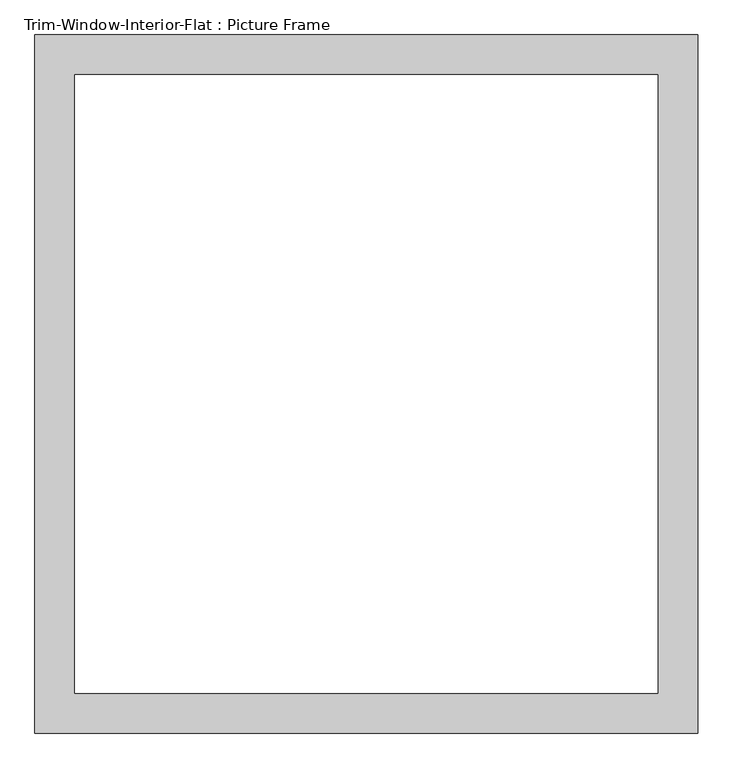
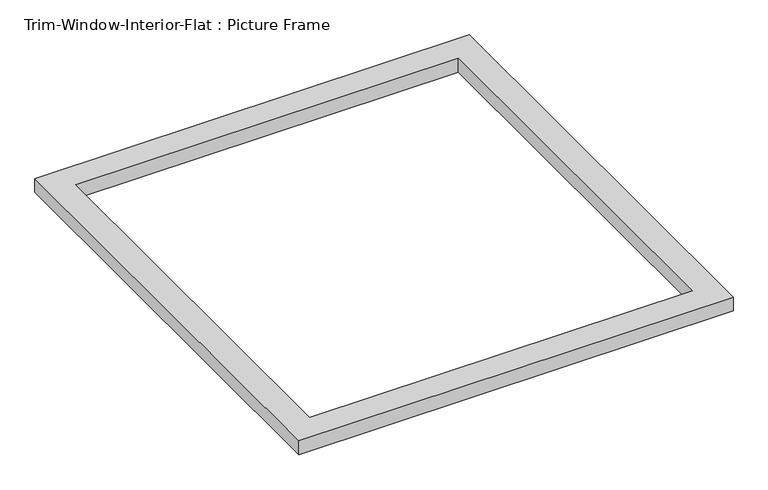
"""IFC4 building model written with IfcOpenShell, lengths in millimetres: proxy geometry, Trim-Window-Interior-Flat : Picture Frame."""

from ifc_helpers import new_model, si_unit, origin, origin_with_axes, place, context, project, spatial, polyline, outline, extrude, source, transform, mapped, element, save


def trim_window_interior_flat_picture_frame_51c85655(model_context):
    return source(origin(), model_context, "Body", "SweptSolid", [
        extrude(outline(polyline([(476.25, 44.45), (476.25, -958.85), (-476.25, -958.85), (-476.25, 44.45), (476.25, 44.45)]), holes=[polyline([(419.1, -12.7), (-419.1, -12.7), (-419.1, -901.7), (419.1, -901.7), (419.1, -12.7)])]), origin_with_axes(), (0.0, 0.0, 1.0), 31.75),
    ])


if __name__ == "__main__":
    model = new_model("IFC4")
    model_context = context("Model", 3, world=origin())
    ifc_project = project(units=[si_unit("LENGTHUNIT", "METRE", prefix="MILLI")], contexts=[model_context])
    site = spatial("IfcSite", under=ifc_project)
    building = spatial("IfcBuilding", under=site)
    placement = place(None, origin())
    trim_window_interior_flat_picture_frame_shape = trim_window_interior_flat_picture_frame_51c85655(model_context)
    element("IfcBuildingElementProxy", 1, Name="Trim-Window-Interior-Flat : Picture Frame", ObjectType="Trim-Window-Interior-Flat : Picture Frame", at=placement, inside=building, context=model_context, shape_type="MappedRepresentation", body=[
        mapped(trim_window_interior_flat_picture_frame_shape, transform((0.0, 0.0, 0.0), x_axis=(1.0, 0.0, 0.0), y_axis=(0.0, 1.0, 0.0), z_axis=(0.0, 0.0, 1.0))),
    ])
    save(model, "model.ifc")
